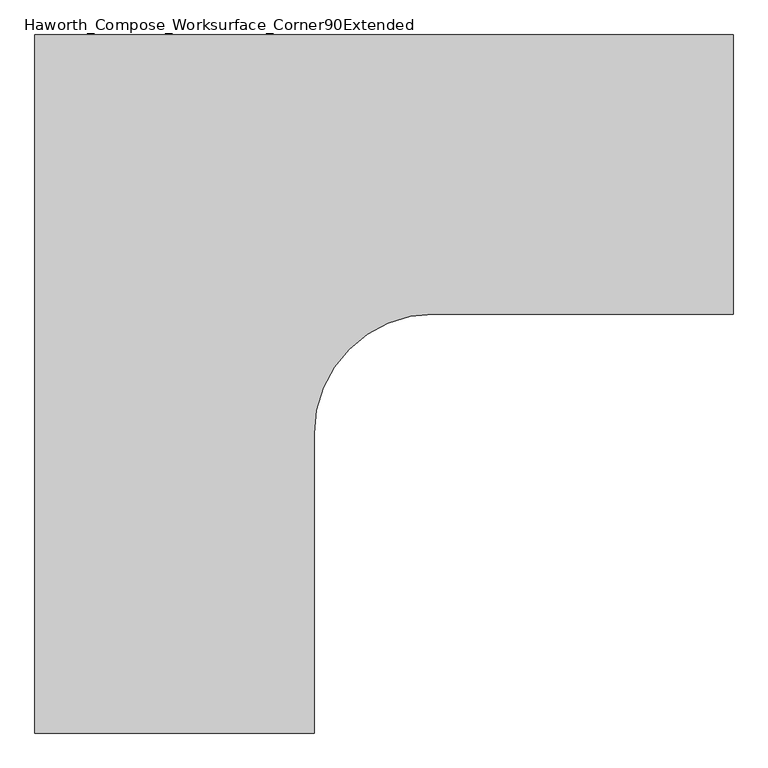
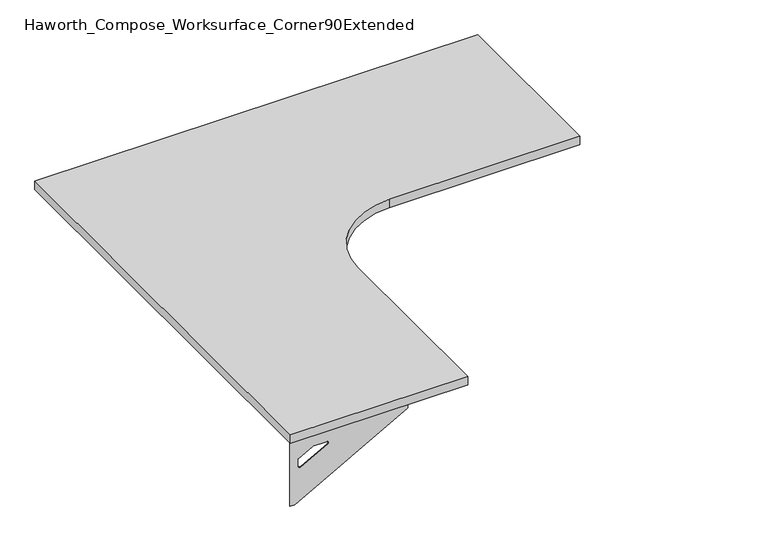
"""IFC4 building model written with IfcOpenShell, lengths in millimetres: furniture geometry, Haworth_Compose_Worksurface_Corner90Extended."""

from ifc_helpers import new_model, si_unit, point, frame, frame_2d, origin, place, context, project, spatial, polyline, circle_curve, trimmed, segment, composite_curve, outline, extrude, source, transform, mapped, element, save
from ifc_brep_helpers import plane_surface, revolved_surface, advanced_brep


def haworth_compose_worksurface_corner90extended_e7b66510(model_context):
    return source(origin(), model_context, "Body", "SolidModel", [
        advanced_brep(
        [(908.84375, 152.4, 475.45625), (908.84375, 136.525, 475.45625), (908.84375, -254.0, 691.7192568), (908.84375, -254.0, 704.05625), (908.84375, 136.525, 704.05625), (908.84375, 152.4, 704.05625), (908.84375, 69.090072, 665.95625), (908.84375, 25.4355284, 665.95625), (908.84375, 22.7564235, 656.3705539), (908.84375, 114.4776173, 605.5776439), (908.84375, 123.825, 611.1756969), (908.84375, 123.825, 634.6860246), (908.84375, 122.0730055, 637.5242776), (908.84375, 72.1663437, 665.1613425), (911.225, 152.4, 475.45625), (911.225, 152.4, 704.05625), (911.225, 136.525, 704.05625), (911.225, 136.525, 706.4375), (911.225, -254.0, 706.4375), (911.225, -254.0, 691.7192568), (911.225, 136.525, 475.45625), (911.225, 69.090072, 665.95625), (911.225, 72.1663437, 665.1613425), (911.225, 122.0730055, 637.5242776), (911.225, 123.825, 634.6860246), (911.225, 123.825, 611.1756969), (911.225, 114.4776173, 605.5776439), (911.225, 22.7564235, 656.3705539), (911.225, 25.4355284, 665.95625), (869.95, -254.0, 706.4375), (869.95, -254.0, 704.05625), (869.95, 136.525, 704.05625), (869.95, 136.525, 706.4375)],
        [
            (0, 1),
            (1, 2),
            (2, 3),
            (3, 4),
            (4, 5),
            (5, 0),
            (6, 7),
            (7, 8, circle_curve(frame((908.84375, 25.4355284, 660.7890106), z_axis=(1.0, 0.0, 0.0), x_axis=(0.0, -1.0, 0.0)), 5.1672394)),
            (8, 9),
            (9, 10, circle_curve(frame((908.84375, 117.475, 611.1756969), z_axis=(1.0, 0.0, 0.0), x_axis=(0.0, -1.0, 0.0)), 6.35)),
            (10, 11),
            (11, 12, circle_curve(frame((908.84375, 120.65, 634.6860246), z_axis=(1.0, 0.0, 0.0), x_axis=(0.0, -1.0, 0.0)), 3.175)),
            (12, 13),
            (13, 6, circle_curve(frame((908.84375, 69.090072, 659.60625), z_axis=(1.0, 0.0, 0.0), x_axis=(0.0, -1.0, 0.0)), 6.35)),
            (14, 15),
            (15, 16),
            (16, 17),
            (17, 18),
            (18, 19),
            (19, 20),
            (20, 14),
            (21, 22, circle_curve(frame((911.225, 69.090072, 659.60625), z_axis=(-1.0, 0.0, 0.0), x_axis=(0.0, -1.0, 0.0)), 6.35)),
            (22, 23),
            (23, 24, circle_curve(frame((911.225, 120.65, 634.6860246), z_axis=(-1.0, 0.0, 0.0), x_axis=(0.0, -1.0, 0.0)), 3.175)),
            (24, 25),
            (25, 26, circle_curve(frame((911.225, 117.475, 611.1756969), z_axis=(-1.0, 0.0, 0.0), x_axis=(0.0, -1.0, 0.0)), 6.35)),
            (26, 27),
            (27, 28, circle_curve(frame((911.225, 25.4355284, 660.7890106), z_axis=(-1.0, 0.0, 0.0), x_axis=(0.0, -1.0, 0.0)), 5.1672394)),
            (28, 21),
            (4, 16),
            (15, 5),
            (14, 0),
            (20, 1),
            (19, 2),
            (18, 29),
            (29, 30),
            (30, 3),
            (6, 21),
            (28, 7),
            (9, 26),
            (25, 10),
            (24, 11),
            (23, 12),
            (27, 8),
            (31, 4),
            (30, 31),
            (32, 29),
            (17, 32),
            (31, 32),
            (22, 13),
        ],
        [
            plane_surface(frame((908.84375, 152.4, 475.45625), z_axis=(-1.0, 0.0, 0.0), x_axis=(0.0, 1.0, 0.0))),
            plane_surface(frame((911.225, 152.4, 475.45625), z_axis=(1.0, 0.0, 0.0), x_axis=(0.0, -1.0, 0.0))),
            plane_surface(frame((911.225, -254.0, 704.05625), z_axis=(0.0, 0.0, 1.0), x_axis=(-1.0, 0.0, 0.0))),
            plane_surface(frame((911.225, 152.4, 704.05625), z_axis=(0.0, 1.0, 0.0), x_axis=(-1.0, 0.0, 0.0))),
            plane_surface(frame((911.225, 152.4, 475.45625), z_axis=(0.0, 0.0, -1.0), x_axis=(-1.0, 0.0, 0.0))),
            plane_surface(frame((911.225, 136.525, 475.45625), z_axis=(0.0, -0.4844522351345575, -0.8748177135112957), x_axis=(-1.0, 0.0, 0.0))),
            plane_surface(frame((911.225, -254.0, 691.7192568), z_axis=(0.0, -1.0, 0.0), x_axis=(-1.0, 0.0, 0.0))),
            plane_surface(frame((911.225, 69.090072, 665.95625), z_axis=(0.0, 0.0, -1.0), x_axis=(-1.0, 0.0, 0.0))),
            revolved_surface(polyline([(908.84375, 111.125, 611.1756969), (911.225, 111.125, 611.1756969)]), (911.225, 117.475, 611.1756969), (-1.0, 0.0, 0.0)),
            plane_surface(frame((911.225, 123.825, 611.1756969), z_axis=(0.0, -1.0, 0.0), x_axis=(-1.0, 0.0, 0.0))),
            revolved_surface(polyline([(908.84375, 117.47500000000001, 634.6860246), (911.225, 117.47500000000001, 634.6860246)]), (911.225, 120.65, 634.6860246), (-1.0, 0.0, 0.0)),
            revolved_surface(polyline([(908.84375, 20.268289, 660.7890106), (911.225, 20.268289, 660.7890106)]), (911.225, 25.4355284, 660.7890106), (-1.0, 0.0, 0.0)),
            plane_surface(frame((911.225, 136.525, 704.05625), z_axis=(0.0, 0.0, -1.0), x_axis=(-1.0, 0.0, 0.0))),
            plane_surface(frame((911.225, 136.525, 706.4375), z_axis=(0.0, 0.0, 1.0), x_axis=(1.0, 0.0, 0.0))),
            plane_surface(frame((869.95, 136.525, 706.4375), z_axis=(0.0, 1.0, 0.0), x_axis=(0.0, 0.0, -1.0))),
            plane_surface(frame((869.95, -254.0, 706.4375), z_axis=(-1.0, 0.0, 0.0), x_axis=(0.0, 0.0, -1.0))),
            plane_surface(frame((911.225, 22.7564235, 656.3705539), z_axis=(0.0, 0.4844522351341526, 0.8748177135115199), x_axis=(-1.0, 0.0, 0.0))),
            plane_surface(frame((911.225, 122.0730055, 637.5242776), z_axis=(0.0, -0.48445223513456226, -0.874817713511293), x_axis=(-1.0, 0.0, 0.0))),
            revolved_surface(polyline([(908.84375, 62.740072000000005, 659.60625), (911.225, 62.740072000000005, 659.60625)]), (911.225, 69.090072, 659.60625), (-1.0, 0.0, 0.0)),
        ],
        [
            (0, [[1, 2, 3, 4, 5, 6], [7, 8, 9, 10, 11, 12, 13, 14]]),
            (1, [[15, 16, 17, 18, 19, 20, 21], [22, 23, 24, 25, 26, 27, 28, 29]]),
            (2, [[-5, 30, -16, 31]]),
            (3, [[-31, -15, 32, -6]]),
            (4, [[-32, -21, 33, -1]]),
            (5, [[-33, -20, 34, -2]]),
            (6, [[-34, -19, 35, 36, 37, -3]]),
            (7, [[38, -29, 39, -7]]),
            (8, [[40, -26, 41, -10]]),
            (9, [[-41, -25, 42, -11]]),
            (10, [[-42, -24, 43, -12]]),
            (11, [[-39, -28, 44, -8]]),
            (12, [[45, -4, -37, 46]]),
            (13, [[47, -35, -18, 48]]),
            (14, [[-17, -30, -45, 49, -48]]),
            (15, [[-36, -47, -49, -46]]),
            (16, [[-44, -27, -40, -9]]),
            (17, [[-43, -23, 50, -13]]),
            (18, [[-50, -22, -38, -14]]),
        ],
    ),
        advanced_brep(
        [(-609.6, -1366.04375, 475.45625), (-609.6, -1366.04375, 704.05625), (-593.725, -1366.04375, 704.05625), (-203.2, -1366.04375, 704.05625), (-203.2, -1366.04375, 691.7192568), (-593.725, -1366.04375, 475.45625), (-526.290072, -1366.04375, 665.95625), (-529.3663437, -1366.04375, 665.1613425), (-579.2730055, -1366.04375, 637.5242776), (-581.025, -1366.04375, 634.6860246), (-581.025, -1366.04375, 611.1756969), (-571.6776173, -1366.04375, 605.5776439), (-479.9564235, -1366.04375, 656.3705539), (-482.6355284, -1366.04375, 665.95625), (-609.6, -1368.425, 475.45625), (-593.725, -1368.425, 475.45625), (-203.2, -1368.425, 691.7192568), (-203.2, -1368.425, 706.4375), (-593.725, -1368.425, 706.4375), (-593.725, -1368.425, 704.05625), (-609.6, -1368.425, 704.05625), (-526.290072, -1368.425, 665.95625), (-482.6355284, -1368.425, 665.95625), (-479.9564235, -1368.425, 656.3705539), (-571.6776173, -1368.425, 605.5776439), (-581.025, -1368.425, 611.1756969), (-581.025, -1368.425, 634.6860246), (-579.2730055, -1368.425, 637.5242776), (-529.3663437, -1368.425, 665.1613425), (-203.2, -1327.15, 704.05625), (-203.2, -1327.15, 706.4375), (-593.725, -1327.15, 704.05625), (-593.725, -1327.15, 706.4375)],
        [
            (0, 1),
            (1, 2),
            (2, 3),
            (3, 4),
            (4, 5),
            (5, 0),
            (6, 7, circle_curve(frame((-526.290072, -1366.04375, 659.60625), z_axis=(0.0, -1.0, 0.0), x_axis=(1.0, 0.0, 0.0)), 6.35)),
            (7, 8),
            (8, 9, circle_curve(frame((-577.85, -1366.04375, 634.6860246), z_axis=(0.0, -1.0, 0.0), x_axis=(1.0, 0.0, 0.0)), 3.175)),
            (9, 10),
            (10, 11, circle_curve(frame((-574.675, -1366.04375, 611.1756969), z_axis=(0.0, -1.0, 0.0), x_axis=(1.0, 0.0, 0.0)), 6.35)),
            (11, 12),
            (12, 13, circle_curve(frame((-482.6355284, -1366.04375, 660.7890106), z_axis=(0.0, -1.0, 0.0), x_axis=(1.0, 0.0, 0.0)), 5.1672394)),
            (13, 6),
            (14, 15),
            (15, 16),
            (16, 17),
            (17, 18),
            (18, 19),
            (19, 20),
            (20, 14),
            (21, 22),
            (22, 23, circle_curve(frame((-482.6355284, -1368.425, 660.7890106), z_axis=(0.0, 1.0, 0.0), x_axis=(1.0, 0.0, 0.0)), 5.1672394)),
            (23, 24),
            (24, 25, circle_curve(frame((-574.675, -1368.425, 611.1756969), z_axis=(0.0, 1.0, 0.0), x_axis=(1.0, 0.0, 0.0)), 6.35)),
            (25, 26),
            (26, 27, circle_curve(frame((-577.85, -1368.425, 634.6860246), z_axis=(0.0, 1.0, 0.0), x_axis=(1.0, 0.0, 0.0)), 3.175)),
            (27, 28),
            (28, 21, circle_curve(frame((-526.290072, -1368.425, 659.60625), z_axis=(0.0, 1.0, 0.0), x_axis=(1.0, 0.0, 0.0)), 6.35)),
            (1, 20),
            (19, 2),
            (0, 14),
            (5, 15),
            (4, 16),
            (3, 29),
            (29, 30),
            (30, 17),
            (13, 22),
            (21, 6),
            (10, 25),
            (24, 11),
            (9, 26),
            (8, 27),
            (12, 23),
            (31, 29),
            (2, 31),
            (32, 18),
            (30, 32),
            (32, 31),
            (7, 28),
        ],
        [
            plane_surface(frame((-609.6, -1366.04375, 475.45625), z_axis=(0.0, 1.0, 0.0), x_axis=(-1.0, 0.0, 0.0))),
            plane_surface(frame((-609.6, -1368.425, 475.45625), z_axis=(0.0, -1.0, 0.0), x_axis=(1.0, 0.0, 0.0))),
            plane_surface(frame((-203.2, -1368.425, 704.05625), z_axis=(0.0, 0.0, 1.0), x_axis=(0.0, 1.0, 0.0))),
            plane_surface(frame((-609.6, -1368.425, 704.05625), z_axis=(-1.0, 0.0, 0.0), x_axis=(0.0, 1.0, 0.0))),
            plane_surface(frame((-609.6, -1368.425, 475.45625), z_axis=(0.0, 0.0, -1.0), x_axis=(0.0, 1.0, 0.0))),
            plane_surface(frame((-593.725, -1368.425, 475.45625), z_axis=(0.4844522351345575, 0.0, -0.8748177135112957), x_axis=(0.0, 1.0, 0.0))),
            plane_surface(frame((-203.2, -1368.425, 691.7192568), z_axis=(1.0, 0.0, 0.0), x_axis=(0.0, 1.0, 0.0))),
            plane_surface(frame((-526.290072, -1368.425, 665.95625), z_axis=(0.0, 0.0, -1.0), x_axis=(0.0, 1.0, 0.0))),
            revolved_surface(polyline([(-568.3249999999999, -1366.04375, 611.1756969), (-568.3249999999999, -1368.425, 611.1756969)]), (-574.675, -1368.425, 611.1756969), (0.0, 1.0, 0.0)),
            plane_surface(frame((-581.025, -1368.425, 611.1756969), z_axis=(1.0, 0.0, 0.0), x_axis=(0.0, 1.0, 0.0))),
            revolved_surface(polyline([(-574.6750000000001, -1366.04375, 634.6860246), (-574.6750000000001, -1368.425, 634.6860246)]), (-577.85, -1368.425, 634.6860246), (0.0, 1.0, 0.0)),
            revolved_surface(polyline([(-477.468289, -1366.04375, 660.7890106), (-477.468289, -1368.425, 660.7890106)]), (-482.6355284, -1368.425, 660.7890106), (0.0, 1.0, 0.0)),
            plane_surface(frame((-593.725, -1368.425, 704.05625), z_axis=(0.0, 0.0, -1.0), x_axis=(0.0, 1.0, 0.0))),
            plane_surface(frame((-593.725, -1368.425, 706.4375), z_axis=(0.0, 0.0, 1.0), x_axis=(0.0, -1.0, 0.0))),
            plane_surface(frame((-593.725, -1327.15, 706.4375), z_axis=(-1.0, 0.0, 0.0), x_axis=(0.0, 0.0, -1.0))),
            plane_surface(frame((-203.2, -1327.15, 706.4375), z_axis=(0.0, 1.0, 0.0), x_axis=(0.0, 0.0, -1.0))),
            plane_surface(frame((-479.9564235, -1368.425, 656.3705539), z_axis=(-0.4844522351341526, 0.0, 0.8748177135115199), x_axis=(0.0, 1.0, 0.0))),
            plane_surface(frame((-579.2730055, -1368.425, 637.5242776), z_axis=(0.48445223513456226, 0.0, -0.874817713511293), x_axis=(0.0, 1.0, 0.0))),
            revolved_surface(polyline([(-519.940072, -1366.04375, 659.60625), (-519.940072, -1368.425, 659.60625)]), (-526.290072, -1368.425, 659.60625), (0.0, 1.0, 0.0)),
        ],
        [
            (0, [[1, 2, 3, 4, 5, 6], [7, 8, 9, 10, 11, 12, 13, 14]]),
            (1, [[15, 16, 17, 18, 19, 20, 21], [22, 23, 24, 25, 26, 27, 28, 29]]),
            (2, [[30, -20, 31, -2]]),
            (3, [[-1, 32, -21, -30]]),
            (4, [[-6, 33, -15, -32]]),
            (5, [[-5, 34, -16, -33]]),
            (6, [[-4, 35, 36, 37, -17, -34]]),
            (7, [[-14, 38, -22, 39]]),
            (8, [[-11, 40, -25, 41]]),
            (9, [[-10, 42, -26, -40]]),
            (10, [[-9, 43, -27, -42]]),
            (11, [[-13, 44, -23, -38]]),
            (12, [[45, -35, -3, 46]]),
            (13, [[47, -18, -37, 48]]),
            (14, [[-47, 49, -46, -31, -19]]),
            (15, [[-45, -49, -48, -36]]),
            (16, [[-12, -41, -24, -44]]),
            (17, [[-8, 50, -28, -43]]),
            (18, [[-7, -39, -29, -50]]),
        ],
    ),
        extrude(outline(composite_curve([segment(polyline([(-609.6, 152.4), (914.4, 152.4), (914.4, -457.2), (260.35, -457.2)]), True, "CONTINUOUS"), segment(trimmed(circle_curve(frame_2d((260.35, -717.55)), 260.35), [point((260.35, -457.2))], [point((0.0, -717.55))], True, "CARTESIAN"), True, "CONTINUOUS"), segment(polyline([(0.0, -717.55), (0.0, -1371.6), (-609.6, -1371.6), (-609.6, 152.4)]), True, "CONTINUOUS")], self_intersect=False)), frame((0.0, 0.0, 706.4375), z_axis=(0.0, 0.0, 1.0), x_axis=(1.0, 0.0, 0.0)), (0.0, 0.0, 1.0), 30.1625),
    ])


if __name__ == "__main__":
    model = new_model("IFC4")
    model_context = context("Model", 3, world=origin())
    ifc_project = project(units=[si_unit("LENGTHUNIT", "METRE", prefix="MILLI")], contexts=[model_context])
    site = spatial("IfcSite", under=ifc_project)
    building = spatial("IfcBuilding", under=site)
    placement = place(None, origin())
    haworth_compose_worksurface_corner90extended_shape = haworth_compose_worksurface_corner90extended_e7b66510(model_context)
    element("IfcFurniture", 1, ObjectType="Haworth_Compose_Worksurface_Corner90Extended", at=placement, inside=building, context=model_context, shape_type="MappedRepresentation", body=[
        mapped(haworth_compose_worksurface_corner90extended_shape, transform((0.0, 0.0, 0.0), x_axis=(1.0, 0.0, 0.0), y_axis=(0.0, 1.0, 0.0), z_axis=(0.0, 0.0, 1.0))),
    ])
    save(model, "model.ifc")
